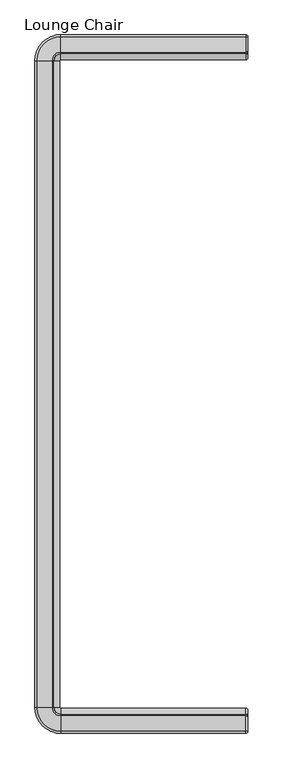
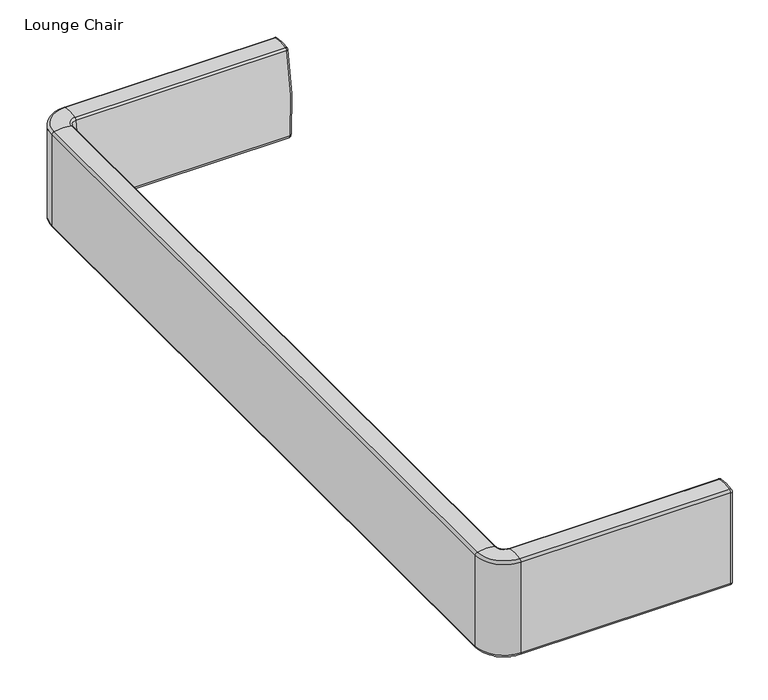
"""IFC4 building model written with IfcOpenShell, lengths in millimetres: furniture geometry, Lounge Chair."""

import ifcopenshell
import ifcopenshell.guid

model = None  # the IFC model being written
_history = None  # IfcOwnerHistory: only IFC2X3 demands one
_inside = {}  # id of a spatial element -> (the spatial element, [elements in it])
_under = {}  # id of a project, library or spatial element -> (it, [spatial elements below it])
_declared = {}  # id of a project -> (the project, [libraries it declares])
_typed = {}  # id of a type object -> (the type object, [elements of that type])
_made_of = {}  # id of a material, layer set ... -> (it, [elements and type objects made of it])


def new_model(schema):
    """Start an empty IFC model of exactly this schema.

    Asked for "IFC4X3", IfcOpenShell would pick the latest addendum, in which some entities
    have other attributes; the version numbers below select the first issue.
    IFC2X3 requires an IfcOwnerHistory on every rooted entity: one is made here for all.
    """
    global model, _history
    if schema == "IFC4X3":
        model = ifcopenshell.file(schema_version=(4, 3, 0, 0))
    else:
        model = ifcopenshell.file(schema=schema)
    _inside.clear()
    _under.clear()
    _declared.clear()
    _typed.clear()
    _made_of.clear()
    _history = None
    if model.schema == "IFC2X3":
        org = make("IfcOrganization", Name="unknown")
        user = make(
            "IfcPersonAndOrganization",
            ThePerson=make("IfcPerson", FamilyName="unknown"),
            TheOrganization=org,
        )
        app = make(
            "IfcApplication",
            ApplicationDeveloper=org,
            Version="unknown",
            ApplicationFullName="unknown",
            ApplicationIdentifier="unknown",
        )
        _history = make(
            "IfcOwnerHistory",
            OwningUser=user,
            OwningApplication=app,
            ChangeAction="ADDED",
            CreationDate=0,
        )
    return model


def make(cls, **values):
    """One entity of the class cls with the attributes given. An attribute that is None is left unset."""
    return model.create_entity(
        cls, **{name: value for name, value in values.items() if value is not None}
    )


def rooted(cls, **values):
    """An entity with a GlobalId (a new one), such as an element, a storey or a relation."""
    return make(cls, GlobalId=ifcopenshell.guid.new(), OwnerHistory=_history, **values)


def si_unit(unit_type, name, prefix=None):
    """IfcSIUnit, for example si_unit("LENGTHUNIT", "METRE", prefix="MILLI")."""
    return make("IfcSIUnit", UnitType=unit_type, Prefix=prefix, Name=name)


def assignment(units):
    """IfcUnitAssignment: the units of a project."""
    return None if units is None else make("IfcUnitAssignment", Units=units)


def point(xyz):
    """IfcCartesianPoint."""
    return None if xyz is None else make("IfcCartesianPoint", Coordinates=xyz)


def direction(xyz):
    """IfcDirection."""
    return None if xyz is None else make("IfcDirection", DirectionRatios=xyz)


def frame(location, z_axis=None, x_axis=None):
    """IfcAxis2Placement3D, a coordinate frame: its origin and axes. An axis left out is left unset."""
    return make(
        "IfcAxis2Placement3D",
        Location=point(location),
        Axis=direction(z_axis),
        RefDirection=direction(x_axis),
    )


def origin():
    """The frame at (0, 0, 0) with its axes left unset."""
    return frame((0.0, 0.0, 0.0))


def place(relative_to, where):
    """IfcLocalPlacement: puts the frame where relative to a parent placement (None: the world)."""
    return make(
        "IfcLocalPlacement", PlacementRelTo=relative_to, RelativePlacement=where
    )


def context(
    kind, dimensions, precision=None, world=None, true_north=None, identifier=None
):
    """IfcGeometricRepresentationContext, for example the 3D "Model" context."""
    return make(
        "IfcGeometricRepresentationContext",
        ContextIdentifier=identifier,
        ContextType=kind,
        CoordinateSpaceDimension=dimensions,
        Precision=precision,
        WorldCoordinateSystem=world,
        TrueNorth=true_north,
    )


def project(units=None, contexts=None):
    """IfcProject with its units and contexts."""
    return rooted(
        "IfcProject",
        Name="project",
        RepresentationContexts=contexts,
        UnitsInContext=assignment(units),
    )


def spatial(cls, under=None, at=None, **own):
    """A site, building, storey or space (cls), placed at a placement, below another one or the project."""
    s = rooted(cls, ObjectPlacement=at, **own)
    if under is not None:
        _under.setdefault(under.id(), (under, []))[1].append(s)
    return s


def polyline(points):
    """IfcPolyline through the points."""
    return make("IfcPolyline", Points=[point(p) for p in points])


def circle_curve(where, radius):
    """IfcCircle in the frame where."""
    return make("IfcCircle", Position=where, Radius=radius)


def ellipse_curve(where, semi_axis1, semi_axis2):
    """IfcEllipse in the frame where."""
    return make(
        "IfcEllipse", Position=where, SemiAxis1=semi_axis1, SemiAxis2=semi_axis2
    )


def trimmed(basis, trim1, trim2, sense, master):
    """IfcTrimmedCurve: the piece of a basis curve between two trims."""
    return make(
        "IfcTrimmedCurve",
        BasisCurve=basis,
        Trim1=trim1,
        Trim2=trim2,
        SenseAgreement=sense,
        MasterRepresentation=master,
    )


def shape(context_of_items, identifier, shape_type, items):
    """IfcShapeRepresentation: the items that make up one representation, for example the "Body"."""
    return make(
        "IfcShapeRepresentation",
        ContextOfItems=context_of_items,
        RepresentationIdentifier=identifier,
        RepresentationType=shape_type,
        Items=items,
    )


def source(mapping_origin, context_of_items, identifier, shape_type, items):
    """IfcRepresentationMap: a shape defined once, which mapped items show again and again."""
    return make(
        "IfcRepresentationMap",
        MappingOrigin=mapping_origin,
        MappedRepresentation=shape(context_of_items, identifier, shape_type, items),
    )


def transform(
    local_origin,
    x_axis=None,
    y_axis=None,
    z_axis=None,
    scale=None,
    scale2=None,
    scale3=None,
    uniform=True,
):
    """IfcCartesianTransformationOperator3D, or its non-uniform kind. x_axis, y_axis, z_axis: its Axis1, 2, 3."""
    if uniform:
        return make(
            "IfcCartesianTransformationOperator3D",
            Axis1=direction(x_axis),
            Axis2=direction(y_axis),
            LocalOrigin=point(local_origin),
            Scale=scale,
            Axis3=direction(z_axis),
        )
    return make(
        "IfcCartesianTransformationOperator3DnonUniform",
        Axis1=direction(x_axis),
        Axis2=direction(y_axis),
        LocalOrigin=point(local_origin),
        Scale=scale,
        Axis3=direction(z_axis),
        Scale2=scale2,
        Scale3=scale3,
    )


def mapped(mapping_source, mapping_target):
    """IfcMappedItem: shows the shape of a source again, moved by a transform."""
    return make(
        "IfcMappedItem", MappingSource=mapping_source, MappingTarget=mapping_target
    )


def made_of(thing, what):
    """Note that an element or type object is made of a material, layer set ...; save() writes the relation."""
    if what is not None:
        _made_of.setdefault(what.id(), (what, []))[1].append(thing)
    return thing


def element(
    cls,
    number,
    at=None,
    inside=None,
    cuts=None,
    type_object=None,
    material=None,
    context=None,
    identifier="Body",
    shape_type=None,
    held_by="IfcProductDefinitionShape",
    body=None,
    shapes=None,
    **own,
):
    """One element of the class cls, such as IfcWall. Its Tag is "e" and its number.

    at: its placement. inside: the storey or other place that contains it. cuts: it is an
    opening in that element (IfcRelVoidsElement). A single representation is given by context,
    identifier, shape_type and body (its items); several are given by shapes. held_by: the class
    of the entity that holds the representations. save() writes the other relations.
    """
    e = rooted(cls, Tag="e%d" % number, ObjectPlacement=at, **own)
    if body is not None:
        shapes = [shape(context, identifier, shape_type, body)]
    if shapes is not None:
        e.Representation = make(held_by, Representations=shapes)
    if inside is not None:
        _inside.setdefault(inside.id(), (inside, []))[1].append(e)
    if cuts is not None:
        rooted(
            "IfcRelVoidsElement", RelatingBuildingElement=cuts, RelatedOpeningElement=e
        )
    if type_object is not None:
        _typed.setdefault(type_object.id(), (type_object, []))[1].append(e)
    return made_of(e, material)


def aggregate(whole, parts):
    """IfcRelAggregates: a whole, such as a stair, and the parts it consists of."""
    return rooted("IfcRelAggregates", RelatingObject=whole, RelatedObjects=parts)


def save(model, path):
    """Write the relations noted so far, then the file.

    IfcRelAggregates (storeys below a building ...), IfcRelContainedInSpatialStructure (elements
    in a storey), IfcRelDefinesByType, IfcRelAssociatesMaterial and IfcRelDeclares: one each for
    every whole, place, type object, material and project.
    """
    for whole, parts in _under.values():
        aggregate(whole, parts)
    for where, things in _inside.values():
        rooted(
            "IfcRelContainedInSpatialStructure",
            RelatedElements=things,
            RelatingStructure=where,
        )
    for kind, things in _typed.values():
        rooted("IfcRelDefinesByType", RelatedObjects=things, RelatingType=kind)
    for what, things in _made_of.values():
        rooted("IfcRelAssociatesMaterial", RelatedObjects=things, RelatingMaterial=what)
    for by, libraries in _declared.values():
        rooted("IfcRelDeclares", RelatingContext=by, RelatedDefinitions=libraries)
    model.write(path)


def plane_surface(at):
    """IfcPlane: the flat surface through the origin of the frame at, square to its z axis."""
    return make("IfcPlane", Position=at)


def cylinder_surface(at, radius):
    """IfcCylindricalSurface: all points at the distance radius from the z axis of the frame at."""
    return make("IfcCylindricalSurface", Position=at, Radius=radius)


def revolved_surface(curve, axis_point, axis_direction):
    """IfcSurfaceOfRevolution: the curve turned about the line through axis_point along axis_direction."""
    return make(
        "IfcSurfaceOfRevolution",
        SweptCurve=make("IfcArbitraryOpenProfileDef", ProfileType="CURVE", Curve=curve),
        AxisPosition=make("IfcAxis1Placement", Location=point(axis_point), Axis=direction(axis_direction)),
    )


def advanced_brep(points, edges, surfaces, faces):
    """IfcAdvancedBrep: a solid bounded by faces that lie on surfaces and meet in shared edges.

    An edge is (start, end): straight between two places in points (the first is 0);
    or (start, end, curve); or (start, end, curve, False) where it runs against its curve.
    A face is (place in surfaces, loops), or (place, loops, False) where it looks against
    its surface's normal. A loop lists edges by number (the first is 1), with a minus sign
    where the edge is run from its end to its start. The first loop is the outer one.
    """
    corners = [point(p) for p in points]
    vertices = [make("IfcVertexPoint", VertexGeometry=c) for c in corners]
    made = []
    for start, end, *more in edges:
        made.append(
            make(
                "IfcEdgeCurve",
                EdgeStart=vertices[start],
                EdgeEnd=vertices[end],
                EdgeGeometry=more[0] if more else make("IfcPolyline", Points=[corners[start], corners[end]]),
                SameSense=more[1] if len(more) > 1 else True,
            )
        )
    hull = []
    for where, loops, *sense in faces:
        bounds = []
        for j, loop in enumerate(loops):
            ring = [make("IfcOrientedEdge", EdgeElement=made[abs(k) - 1], Orientation=k > 0) for k in loop]
            bounds.append(
                make(
                    "IfcFaceOuterBound" if j == 0 else "IfcFaceBound",
                    Bound=make("IfcEdgeLoop", EdgeList=ring),
                    Orientation=True,
                )
            )
        hull.append(make("IfcAdvancedFace", Bounds=bounds, FaceSurface=surfaces[where], SameSense=sense[0] if sense else True))
    return make("IfcAdvancedBrep", Outer=make("IfcClosedShell", CfsFaces=hull))


def lounge_chair_6d21cbb2(model_context):
    return source(origin(), model_context, "Body", "AdvancedBrep", [
        advanced_brep(
        [(382.9050121, -1114.5232118, 679.4101744), (382.9050121, -1115.5445841, 678.1647491), (382.9050121, -1115.5445841, 406.9326341), (382.9050121, -1113.4735492, 405.9471174), (382.9050121, -1079.435139, 420.1629446), (382.9050121, -1055.0515474, 429.151888), (382.9050121, -1051.0062039, 435.9247564), (382.9050121, -1067.0973097, 678.4771601), (382.9050121, -1068.0842542, 679.4255901), (376.5550121, -1115.7663503, 685.6373011), (376.5550121, -1121.8945841, 678.1647491), (376.5550121, -1121.8945841, 406.9326341), (376.5550121, -1109.4683748, 401.019534), (376.5550121, -1078.7459989, 413.8504501), (376.5550121, -1051.4784521, 423.9025557), (376.5550121, -1044.6903074, 435.2675266), (376.5550121, -1060.9235834, 679.9629608), (376.5550121, -1066.8452503, 685.6535408), (376.5550121, 1060.9235834, 679.9629608), (-219.0746083, 1060.9235834, 679.9629608), (-219.0746083, 1044.6903074, 435.2675266), (376.5550121, 1044.6903074, 435.2675266), (376.5550121, 1051.4784521, 423.9025557), (-219.0746083, 1051.4784521, 423.9025557), (-219.0746083, 1078.7459989, 413.8504501), (376.5550121, 1078.7459989, 413.8504501), (376.5550121, 1121.8945841, 406.9326341), (-219.0746083, 1121.8945841, 406.9326341), (-219.0746083, 1121.8945841, 678.1647491), (376.5550121, 1121.8945841, 678.1647491), (-240.6536319, 1039.3445599, 679.9629608), (-224.4203559, 1039.3445599, 435.2675266), (-231.2085006, 1039.3445599, 423.9025557), (-258.4760474, 1039.3445599, 413.8504501), (-301.6246325, 1039.3445599, 406.9326341), (-301.6246325, 1039.3445599, 678.1647491), (-240.6536319, -1039.3445599, 679.9629608), (-224.4203559, -1039.3445599, 435.2675266), (-231.2085006, -1039.3445599, 423.9025557), (-258.4760474, -1039.3445599, 413.8504501), (-301.6246325, -1039.3445599, 406.9326341), (-301.6246325, -1039.3445599, 678.1647491), (-219.0746083, -1060.9235834, 679.9629608), (-219.0746083, -1044.6903074, 435.2675266), (-219.0746083, -1051.4784521, 423.9025557), (-219.0746083, -1078.7459989, 413.8504501), (-219.0746083, -1121.8945841, 406.9326341), (-219.0746083, -1121.8945841, 678.1647491), (-219.0746083, 1109.4683748, 401.019534), (376.5550121, 1109.4683748, 401.019534), (-289.1984232, 1039.3445599, 401.019534), (-289.1984232, -1039.3445599, 401.019534), (-219.0746083, -1109.4683748, 401.019534), (-219.0746083, 1115.7663503, 685.6373011), (376.5550121, 1115.7663503, 685.6373011), (-219.0746083, 1066.8452503, 685.6535408), (376.5550121, 1066.8452503, 685.6535408), (-295.4963987, 1039.3445599, 685.6373011), (-246.5752987, 1039.3445599, 685.6535408), (-295.4963987, -1039.3445599, 685.6373011), (-246.5752987, -1039.3445599, 685.6535408), (-219.0746083, -1115.7663503, 685.6373011), (-219.0746083, -1066.8452503, 685.6535408), (382.9050121, 1068.0842542, 679.4255901), (382.9050121, 1067.0973097, 678.4771601), (382.9050121, 1051.0062039, 435.9247564), (382.9050121, 1055.0515474, 429.151888), (382.9050121, 1079.435139, 420.1629446), (382.9050121, 1113.4735492, 405.9471174), (382.9050121, 1115.5445841, 406.9326341), (382.9050121, 1115.5445841, 678.1647491), (382.9050121, 1114.5232118, 679.4101744)],
        [
            (0, 1, circle_curve(frame((382.9050121, -1114.2745841, 678.1647491), z_axis=(1.0, 0.0, 0.0), x_axis=(0.0, -0.19576984179669715, 0.9806498707708557)), 1.27)),
            (1, 2),
            (2, 3, circle_curve(frame((382.9050121, -1114.2745841, 406.9326341), z_axis=(1.0, 0.0, 0.0), x_axis=(0.0, -1.0, 0.0)), 1.27)),
            (3, 4, circle_curve(frame((382.9050121, -1072.3612575, 355.3664873), z_axis=(-1.0, 0.0, 0.0), x_axis=(0.0, -0.6307361277008335, 0.7759973822204285)), 65.1814443)),
            (4, 5, circle_curve(frame((382.9050121, -1085.2617591, 473.5345393), z_axis=(1.0, 0.0, 0.0), x_axis=(0.0, 0.10852600235373884, -0.9940936106892129)), 53.6887011)),
            (5, 6, circle_curve(frame((382.9050121, -1060.3214873, 436.8941013), z_axis=(1.0, 0.0, 0.0), x_axis=(0.0, 0.5626921702505863, -0.82666651168333)), 9.3655824)),
            (6, 7, circle_curve(frame((382.9050121, -1765.8518023, 510.3113207), z_axis=(1.0, 0.0, 0.0), x_axis=(0.0, 0.994629374658128, -0.10350075877587275)), 718.7054964)),
            (7, 8, circle_curve(frame((382.9050121, -1068.332055, 678.18), z_axis=(1.0, 0.0, 0.0), x_axis=(0.0, 0.9722403629031896, 0.23398435148931254)), 1.27)),
            (8, 0, circle_curve(frame((382.9050121, -1091.265056, 562.9054704), z_axis=(1.0, 0.0, 0.0), x_axis=(0.0, 0.1951187333087927, 0.9807796286179542)), 118.8035684)),
            (0, 9, circle_curve(frame((376.5550121, -1114.5232118, 679.4101744), z_axis=(0.0, -0.9806498707708557, -0.19576984179669712), x_axis=(0.0, 0.19576984179669712, -0.9806498707708557)), 6.35)),
            (9, 10, circle_curve(frame((376.5550121, -1114.2745841, 678.1647491), z_axis=(1.0, 0.0, 0.0), x_axis=(0.0, -0.19576984179669715, 0.9806498707708557)), 7.62)),
            (10, 1, circle_curve(frame((376.5550121, -1115.5445841, 678.1647491), z_axis=(0.0, 0.0, 1.0), x_axis=(0.0, 1.0, 0.0)), 6.35)),
            (10, 11),
            (11, 2, circle_curve(frame((376.5550121, -1115.5445841, 406.9326341), z_axis=(0.0, 0.0, 1.0), x_axis=(0.0, 1.0, 0.0)), 6.35)),
            (11, 12, circle_curve(frame((376.5550121, -1114.2745841, 406.9326341), z_axis=(1.0, 0.0, 0.0), x_axis=(0.0, -1.0, 0.0)), 7.62)),
            (12, 3, circle_curve(frame((376.5550121, -1113.4735492, 405.9471174), z_axis=(0.0, -0.7759973822204425, -0.6307361277008164), x_axis=(0.0, -0.6307361277008164, 0.7759973822204425)), 6.35)),
            (12, 13, circle_curve(frame((376.5550121, -1072.3612575, 355.3664873), z_axis=(-1.0, 0.0, 0.0), x_axis=(0.0, -0.6307361277008335, 0.7759973822204285)), 58.8314443)),
            (13, 4, circle_curve(frame((376.5550121, -1079.435139, 420.1629446), z_axis=(0.0, -0.9940936106892133, -0.10852600235373538), x_axis=(0.0, -0.10852600235373538, 0.9940936106892133)), 6.35)),
            (13, 14, circle_curve(frame((376.5550121, -1085.2617591, 473.5345393), z_axis=(1.0, 0.0, 0.0), x_axis=(0.0, 0.10852600235373884, -0.9940936106892129)), 60.0387011)),
            (14, 5, circle_curve(frame((376.5550121, -1055.0515474, 429.151888), z_axis=(0.0, -0.8266665116833319, -0.5626921702505835), x_axis=(0.0, -0.5626921702505835, 0.8266665116833319)), 6.35)),
            (14, 15, circle_curve(frame((376.5550121, -1060.3214873, 436.8941013), z_axis=(1.0, 0.0, 0.0), x_axis=(0.0, 0.5626921702505863, -0.82666651168333)), 15.7155824)),
            (15, 6, circle_curve(frame((376.5550121, -1051.0062039, 435.9247564), z_axis=(0.0, -0.10350075877586107, -0.9946293746581292), x_axis=(0.0, -0.9946293746581292, 0.10350075877586107)), 6.35)),
            (15, 16, circle_curve(frame((376.5550121, -1765.8518023, 510.3113207), z_axis=(1.0, 0.0, 0.0), x_axis=(0.0, 0.994629374658128, -0.10350075877587275)), 725.0554964)),
            (16, 7, circle_curve(frame((376.5550121, -1067.0973097, 678.4771601), z_axis=(0.0, 0.23398435148929136, -0.9722403629031947), x_axis=(0.0, -0.9722403629031947, -0.23398435148929136)), 6.35)),
            (16, 17, circle_curve(frame((376.5550121, -1068.332055, 678.18), z_axis=(1.0, 0.0, 0.0), x_axis=(0.0, 0.9722403629031896, 0.23398435148931254)), 7.62)),
            (17, 8, circle_curve(frame((376.5550121, -1068.0842542, 679.4255901), z_axis=(0.0, 0.9807796286179522, -0.19511873330880303), x_axis=(0.0, -0.19511873330880303, -0.9807796286179522)), 6.35)),
            (17, 9, circle_curve(frame((376.5550121, -1091.265056, 562.9054704), z_axis=(1.0, 0.0, 0.0), x_axis=(0.0, 0.1951187333087927, 0.9807796286179542)), 125.1535684)),
            (18, 19),
            (19, 20, circle_curve(frame((-219.0746083, 1765.8518023, 510.3113207), z_axis=(1.0, 0.0, 0.0), x_axis=(0.0, -1.0, 0.0)), 725.0554964)),
            (20, 21),
            (21, 18, circle_curve(frame((376.5550121, 1765.8518023, 510.3113207), z_axis=(-1.0, 0.0, 0.0), x_axis=(0.0, -1.0, 0.0)), 725.0554964)),
            (22, 23),
            (23, 24, circle_curve(frame((-219.0746083, 1085.2617591, 473.5345393), z_axis=(1.0, 0.0, 0.0), x_axis=(0.0, -1.0, 0.0)), 60.0387011)),
            (24, 25),
            (25, 22, circle_curve(frame((376.5550121, 1085.2617591, 473.5345393), z_axis=(-1.0, 0.0, 0.0), x_axis=(0.0, -1.0, 0.0)), 60.0387011)),
            (26, 27),
            (27, 28),
            (28, 29),
            (29, 26),
            (19, 30, circle_curve(frame((-219.0746083, 1039.3445599, 679.9629608), z_axis=(0.0, 0.0, 1.0), x_axis=(0.0, 1.0, 0.0)), 21.5790236)),
            (30, 31, circle_curve(frame((-945.5818508, 1039.3445599, 510.3113207), z_axis=(0.0, 1.0, 0.0), x_axis=(1.0, 0.0, 0.0)), 725.0554964)),
            (31, 20, circle_curve(frame((-219.0746083, 1039.3445599, 435.2675266), z_axis=(0.0, 0.0, -1.0), x_axis=(0.0, 1.0, 0.0)), 5.3457475)),
            (23, 32, circle_curve(frame((-219.0746083, 1039.3445599, 423.9025557), z_axis=(0.0, 0.0, 1.0), x_axis=(0.0, 1.0, 0.0)), 12.1338922)),
            (32, 33, circle_curve(frame((-264.9918076, 1039.3445599, 473.5345393), z_axis=(0.0, 1.0, 0.0), x_axis=(1.0, 0.0, 0.0)), 60.0387011)),
            (33, 24, circle_curve(frame((-219.0746083, 1039.3445599, 413.8504501), z_axis=(0.0, 0.0, -1.0), x_axis=(0.0, 1.0, 0.0)), 39.401439)),
            (27, 34, circle_curve(frame((-219.0746083, 1039.3445599, 406.9326341), z_axis=(0.0, 0.0, 1.0), x_axis=(0.0, 1.0, 0.0)), 82.5500242)),
            (34, 35),
            (35, 28, circle_curve(frame((-219.0746083, 1039.3445599, 678.1647491), z_axis=(0.0, 0.0, -1.0), x_axis=(0.0, 1.0, 0.0)), 82.5500242)),
            (30, 36),
            (36, 37, circle_curve(frame((-945.5818508, -1039.3445599, 510.3113207), z_axis=(0.0, 1.0, 0.0), x_axis=(1.0, 0.0, 0.0)), 725.0554964)),
            (37, 31),
            (32, 38),
            (38, 39, circle_curve(frame((-264.9918076, -1039.3445599, 473.5345393), z_axis=(0.0, 1.0, 0.0), x_axis=(1.0, 0.0, 0.0)), 60.0387011)),
            (39, 33),
            (34, 40),
            (40, 41),
            (41, 35),
            (36, 42, circle_curve(frame((-219.0746083, -1039.3445599, 679.9629608), z_axis=(0.0, 0.0, 1.0), x_axis=(-1.0, 0.0, 0.0)), 21.5790236)),
            (42, 43, circle_curve(frame((-219.0746083, -1765.8518023, 510.3113207), z_axis=(-1.0, 0.0, 0.0), x_axis=(0.0, 1.0, 0.0)), 725.0554964)),
            (43, 37, circle_curve(frame((-219.0746083, -1039.3445599, 435.2675266), z_axis=(0.0, 0.0, -1.0), x_axis=(-1.0, 0.0, 0.0)), 5.3457475)),
            (38, 44, circle_curve(frame((-219.0746083, -1039.3445599, 423.9025557), z_axis=(0.0, 0.0, 1.0), x_axis=(-1.0, 0.0, 0.0)), 12.1338922)),
            (44, 45, circle_curve(frame((-219.0746083, -1085.2617591, 473.5345393), z_axis=(-1.0, 0.0, 0.0), x_axis=(0.0, 1.0, 0.0)), 60.0387011)),
            (45, 39, circle_curve(frame((-219.0746083, -1039.3445599, 413.8504501), z_axis=(0.0, 0.0, -1.0), x_axis=(-1.0, 0.0, 0.0)), 39.401439)),
            (40, 46, circle_curve(frame((-219.0746083, -1039.3445599, 406.9326341), z_axis=(0.0, 0.0, 1.0), x_axis=(-1.0, 0.0, 0.0)), 82.5500242)),
            (46, 47),
            (47, 41, circle_curve(frame((-219.0746083, -1039.3445599, 678.1647491), z_axis=(0.0, 0.0, -1.0), x_axis=(-1.0, 0.0, 0.0)), 82.5500242)),
            (42, 16),
            (15, 43),
            (44, 14),
            (13, 45),
            (46, 11),
            (10, 47),
            (20, 23, circle_curve(frame((-219.0746083, 1060.3214873, 436.8941013), z_axis=(1.0, 0.0, 0.0), x_axis=(0.0, -1.0, 0.0)), 15.7155824)),
            (22, 21, circle_curve(frame((376.5550121, 1060.3214873, 436.8941013), z_axis=(-1.0, 0.0, 0.0), x_axis=(0.0, -1.0, 0.0)), 15.7155824)),
            (31, 32, circle_curve(frame((-240.0515357, 1039.3445599, 436.8941013), z_axis=(0.0, 1.0, 0.0), x_axis=(1.0, 0.0, 0.0)), 15.7155824)),
            (37, 38, circle_curve(frame((-240.0515357, -1039.3445599, 436.8941013), z_axis=(0.0, 1.0, 0.0), x_axis=(1.0, 0.0, 0.0)), 15.7155824)),
            (43, 44, circle_curve(frame((-219.0746083, -1060.3214873, 436.8941013), z_axis=(-1.0, 0.0, 0.0), x_axis=(0.0, 1.0, 0.0)), 15.7155824)),
            (24, 48, circle_curve(frame((-219.0746083, 1072.3612575, 355.3664873), z_axis=(-1.0, 0.0, 0.0), x_axis=(0.0, -1.0, 0.0)), 58.8314443)),
            (48, 49),
            (49, 25, circle_curve(frame((376.5550121, 1072.3612575, 355.3664873), z_axis=(1.0, 0.0, 0.0), x_axis=(0.0, -1.0, 0.0)), 58.8314443)),
            (33, 50, circle_curve(frame((-252.0913059, 1039.3445599, 355.3664873), z_axis=(0.0, -1.0, 0.0), x_axis=(1.0, 0.0, 0.0)), 58.8314443)),
            (50, 48, circle_curve(frame((-219.0746083, 1039.3445599, 401.019534), z_axis=(0.0, 0.0, -1.0), x_axis=(0.0, 1.0, 0.0)), 70.1238149)),
            (39, 51, circle_curve(frame((-252.0913059, -1039.3445599, 355.3664873), z_axis=(0.0, -1.0, 0.0), x_axis=(1.0, 0.0, 0.0)), 58.8314443)),
            (51, 50),
            (45, 52, circle_curve(frame((-219.0746083, -1072.3612575, 355.3664873), z_axis=(1.0, 0.0, 0.0), x_axis=(0.0, 1.0, 0.0)), 58.8314443)),
            (52, 51, circle_curve(frame((-219.0746083, -1039.3445599, 401.019534), z_axis=(0.0, 0.0, -1.0), x_axis=(-1.0, 0.0, 0.0)), 70.1238149)),
            (12, 52),
            (26, 49, circle_curve(frame((376.5550121, 1114.2745841, 406.9326341), z_axis=(-1.0, 0.0, 0.0), x_axis=(0.0, -1.0, 0.0)), 7.62)),
            (48, 27, circle_curve(frame((-219.0746083, 1114.2745841, 406.9326341), z_axis=(1.0, 0.0, 0.0), x_axis=(0.0, -1.0, 0.0)), 7.62)),
            (50, 34, circle_curve(frame((-294.0046325, 1039.3445599, 406.9326341), z_axis=(0.0, 1.0, 0.0), x_axis=(1.0, 0.0, 0.0)), 7.62)),
            (51, 40, circle_curve(frame((-294.0046325, -1039.3445599, 406.9326341), z_axis=(0.0, 1.0, 0.0), x_axis=(1.0, 0.0, 0.0)), 7.62)),
            (52, 46, circle_curve(frame((-219.0746083, -1114.2745841, 406.9326341), z_axis=(-1.0, 0.0, 0.0), x_axis=(0.0, 1.0, 0.0)), 7.62)),
            (28, 53, circle_curve(frame((-219.0746083, 1114.2745841, 678.1647491), z_axis=(1.0, 0.0, 0.0), x_axis=(0.0, -1.0, 0.0)), 7.62)),
            (53, 54),
            (54, 29, circle_curve(frame((376.5550121, 1114.2745841, 678.1647491), z_axis=(-1.0, 0.0, 0.0), x_axis=(0.0, -1.0, 0.0)), 7.62)),
            (53, 55, circle_curve(frame((-219.0746083, 1091.265056, 562.9054704), z_axis=(1.0, 0.0, 0.0), x_axis=(0.0, -1.0, 0.0)), 125.1535684)),
            (55, 56),
            (56, 54, circle_curve(frame((376.5550121, 1091.265056, 562.9054704), z_axis=(-1.0, 0.0, 0.0), x_axis=(0.0, -1.0, 0.0)), 125.1535684)),
            (18, 56, circle_curve(frame((376.5550121, 1068.332055, 678.18), z_axis=(-1.0, 0.0, 0.0), x_axis=(0.0, -1.0, 0.0)), 7.62)),
            (55, 19, circle_curve(frame((-219.0746083, 1068.332055, 678.18), z_axis=(1.0, 0.0, 0.0), x_axis=(0.0, -1.0, 0.0)), 7.62)),
            (35, 57, circle_curve(frame((-294.0046325, 1039.3445599, 678.1647491), z_axis=(0.0, 1.0, 0.0), x_axis=(1.0, 0.0, 0.0)), 7.62)),
            (57, 53, circle_curve(frame((-219.0746083, 1039.3445599, 685.6373011), z_axis=(0.0, 0.0, -1.0), x_axis=(0.0, 1.0, 0.0)), 76.4217904)),
            (57, 58, circle_curve(frame((-270.9951044, 1039.3445599, 562.9054704), z_axis=(0.0, 1.0, 0.0), x_axis=(1.0, 0.0, 0.0)), 125.1535684)),
            (58, 55, circle_curve(frame((-219.0746083, 1039.3445599, 685.6535408), z_axis=(0.0, 0.0, -1.0), x_axis=(0.0, 1.0, 0.0)), 27.5006904)),
            (58, 30, circle_curve(frame((-248.0621034, 1039.3445599, 678.18), z_axis=(0.0, 1.0, 0.0), x_axis=(1.0, 0.0, 0.0)), 7.62)),
            (41, 59, circle_curve(frame((-294.0046325, -1039.3445599, 678.1647491), z_axis=(0.0, 1.0, 0.0), x_axis=(1.0, 0.0, 0.0)), 7.62)),
            (59, 57),
            (59, 60, circle_curve(frame((-270.9951044, -1039.3445599, 562.9054704), z_axis=(0.0, 1.0, 0.0), x_axis=(1.0, 0.0, 0.0)), 125.1535684)),
            (60, 58),
            (60, 36, circle_curve(frame((-248.0621034, -1039.3445599, 678.18), z_axis=(0.0, 1.0, 0.0), x_axis=(1.0, 0.0, 0.0)), 7.62)),
            (47, 61, circle_curve(frame((-219.0746083, -1114.2745841, 678.1647491), z_axis=(-1.0, 0.0, 0.0), x_axis=(0.0, 1.0, 0.0)), 7.62)),
            (61, 59, circle_curve(frame((-219.0746083, -1039.3445599, 685.6373011), z_axis=(0.0, 0.0, -1.0), x_axis=(-1.0, 0.0, 0.0)), 76.4217904)),
            (61, 62, circle_curve(frame((-219.0746083, -1091.265056, 562.9054704), z_axis=(-1.0, 0.0, 0.0), x_axis=(0.0, 1.0, 0.0)), 125.1535684)),
            (62, 60, circle_curve(frame((-219.0746083, -1039.3445599, 685.6535408), z_axis=(0.0, 0.0, -1.0), x_axis=(-1.0, 0.0, 0.0)), 27.5006904)),
            (62, 42, circle_curve(frame((-219.0746083, -1068.332055, 678.18), z_axis=(-1.0, 0.0, 0.0), x_axis=(0.0, 1.0, 0.0)), 7.62)),
            (9, 61),
            (17, 62),
            (63, 56, circle_curve(frame((376.5550121, 1068.0842542, 679.4255901), z_axis=(0.0, -0.980779628617956, -0.19511873330878385), x_axis=(0.0, 0.19511873330878385, -0.980779628617956)), 6.35)),
            (18, 64, circle_curve(frame((376.5550121, 1067.0973097, 678.4771601), z_axis=(0.0, 0.23398435148931454, 0.9722403629031892), x_axis=(0.0, 0.9722403629031892, -0.23398435148931454)), 6.35)),
            (64, 63, circle_curve(frame((382.9050121, 1068.332055, 678.18), z_axis=(-1.0, 0.0, 0.0), x_axis=(0.0, -0.19511873330878338, 0.9807796286179561)), 1.27)),
            (21, 65, circle_curve(frame((376.5550121, 1051.0062039, 435.9247564), z_axis=(0.0, -0.10350075877586587, 0.9946293746581285), x_axis=(0.0, 0.9946293746581285, 0.10350075877586587)), 6.35)),
            (65, 64, circle_curve(frame((382.9050121, 1765.8518023, 510.3113207), z_axis=(-1.0, 0.0, 0.0), x_axis=(0.0, -0.9722403629031947, 0.23398435148929123)), 718.7054964)),
            (22, 66, circle_curve(frame((376.5550121, 1055.0515474, 429.151888), z_axis=(0.0, -0.826666511683325, 0.5626921702505937), x_axis=(0.0, 0.5626921702505937, 0.826666511683325)), 6.35)),
            (66, 65, circle_curve(frame((382.9050121, 1060.3214873, 436.8941013), z_axis=(-1.0, 0.0, 0.0), x_axis=(0.0, -0.9946293746581639, -0.10350075877552664)), 9.3655824)),
            (25, 67, circle_curve(frame((376.5550121, 1079.435139, 420.1629446), z_axis=(0.0, -0.9940936106892126, 0.10852600235373983), x_axis=(0.0, 0.10852600235373983, 0.9940936106892126)), 6.35)),
            (67, 66, circle_curve(frame((382.9050121, 1085.2617591, 473.5345393), z_axis=(-1.0, 0.0, 0.0), x_axis=(0.0, -0.5626921702505868, -0.8266665116833296)), 53.6887011)),
            (49, 68, circle_curve(frame((376.5550121, 1113.4735492, 405.9471174), z_axis=(0.0, -0.7759973822204285, 0.6307361277008335), x_axis=(0.0, 0.6307361277008335, 0.7759973822204285)), 6.35)),
            (68, 67, circle_curve(frame((382.9050121, 1072.3612575, 355.3664873), z_axis=(1.0, 0.0, 0.0), x_axis=(0.0, 0.10852600235373923, 0.9940936106892128)), 65.1814443)),
            (26, 69, circle_curve(frame((376.5550121, 1115.5445841, 406.9326341), z_axis=(0.0, 0.0, -0.9999999999999999), x_axis=(0.0, -0.9999999999999999, 0.0)), 6.35)),
            (69, 68, circle_curve(frame((382.9050121, 1114.2745841, 406.9326341), z_axis=(-1.0, 0.0, 0.0), x_axis=(0.0, -0.6307361277008319, -0.7759973822204298)), 1.27)),
            (29, 70, circle_curve(frame((376.5550121, 1115.5445841, 678.1647491), z_axis=(0.0, 0.0, -1.0), x_axis=(0.0, -1.0, 0.0)), 6.35)),
            (70, 69),
            (54, 71, circle_curve(frame((376.5550121, 1114.5232118, 679.4101744), z_axis=(0.0, 0.9806498707708554, -0.19576984179669915), x_axis=(0.0, -0.19576984179669915, -0.9806498707708554)), 6.35)),
            (71, 70, circle_curve(frame((382.9050121, 1114.2745841, 678.1647491), z_axis=(-1.0, 0.0, 0.0), x_axis=(0.0, 1.0, 0.0)), 1.27)),
            (63, 71, circle_curve(frame((382.9050121, 1091.265056, 562.9054704), z_axis=(-1.0, 0.0, 0.0), x_axis=(0.0, 0.19576984179670068, 0.9806498707708551)), 118.8035684)),
        ],
        [
            plane_surface(frame((382.9050121, -1114.2745841, 408.2026341), z_axis=(1.0, 0.0, 0.0), x_axis=(0.0, -1.0, 0.0))),
            revolved_surface(trimmed(ellipse_curve(frame((376.5550121, -1114.5232118, 679.4101744), z_axis=(0.0, 0.9806498707708557, 0.19576984179669712), x_axis=(0.0, 0.19576984179669712, -0.9806498707708557)), 6.35, 6.35), [point((376.5550121, -1115.7663503, 685.6373011))], [point((382.9050121, -1114.5232118, 679.4101744))], True, "CARTESIAN"), (376.5550121, -1114.2745841, 678.1647491), (1.0, 0.0, 0.0)),
            cylinder_surface(frame((376.5550121, -1115.5445841, 678.1647491), z_axis=(0.0, 0.0, 1.0), x_axis=(0.0, 1.0, 0.0)), 6.35),
            revolved_surface(trimmed(ellipse_curve(frame((376.5550121, -1115.5445841, 406.9326341), z_axis=(0.0, 0.0, 1.0), x_axis=(0.0, 1.0, 0.0)), 6.35, 6.35), [point((376.5550121, -1121.8945841, 406.9326341))], [point((382.9050121, -1115.5445841, 406.9326341))], True, "CARTESIAN"), (376.5550121, -1114.2745841, 406.9326341), (1.0, 0.0, 0.0)),
            revolved_surface(trimmed(ellipse_curve(frame((376.5550121, -1113.4735492, 405.9471174), z_axis=(0.0, -0.7759973822204286, -0.6307361277008333), x_axis=(0.0, -0.6307361277008333, 0.7759973822204286)), 6.35, 6.35), [point((376.5550121, -1109.4683748, 401.019534))], [point((382.9050121, -1113.4735492, 405.9471174))], True, "CARTESIAN"), (376.5550121, -1072.3612575, 355.3664873), (-1.0, 0.0, 0.0)),
            revolved_surface(trimmed(ellipse_curve(frame((376.5550121, -1079.435139, 420.1629446), z_axis=(0.0, -0.9940936106892129, -0.10852600235373863), x_axis=(0.0, -0.10852600235373863, 0.9940936106892129)), 6.35, 6.35), [point((376.5550121, -1078.7459989, 413.8504501))], [point((382.9050121, -1079.435139, 420.1629446))], True, "CARTESIAN"), (376.5550121, -1085.2617591, 473.5345393), (1.0, 0.0, 0.0)),
            revolved_surface(trimmed(ellipse_curve(frame((376.5550121, -1055.0515474, 429.151888), z_axis=(0.0, -0.8266665116833302, -0.562692170250586), x_axis=(0.0, -0.562692170250586, 0.8266665116833302)), 6.35, 6.35), [point((376.5550121, -1051.4784521, 423.9025557))], [point((382.9050121, -1055.0515474, 429.151888))], True, "CARTESIAN"), (376.5550121, -1060.3214873, 436.8941013), (1.0, 0.0, 0.0)),
            revolved_surface(trimmed(ellipse_curve(frame((376.5550121, -1051.0062039, 435.9247564), z_axis=(0.0, -0.1035007587758729, -0.994629374658128), x_axis=(0.0, -0.994629374658128, 0.1035007587758729)), 6.35, 6.35), [point((376.5550121, -1044.6903074, 435.2675266))], [point((382.9050121, -1051.0062039, 435.9247564))], True, "CARTESIAN"), (376.5550121, -1765.8518023, 510.3113207), (1.0, 0.0, 0.0)),
            revolved_surface(trimmed(ellipse_curve(frame((376.5550121, -1067.0973097, 678.4771601), z_axis=(0.0, 0.23398435148931235, -0.9722403629031896), x_axis=(0.0, -0.9722403629031896, -0.23398435148931235)), 6.35, 6.35), [point((376.5550121, -1060.9235834, 679.9629608))], [point((382.9050121, -1067.0973097, 678.4771601))], True, "CARTESIAN"), (376.5550121, -1068.332055, 678.18), (1.0, 0.0, 0.0)),
            revolved_surface(trimmed(ellipse_curve(frame((376.5550121, -1068.0842542, 679.4255901), z_axis=(0.0, 0.9807796286179542, -0.1951187333087929), x_axis=(0.0, -0.1951187333087929, -0.9807796286179542)), 6.35, 6.35), [point((376.5550121, -1066.8452503, 685.6535408))], [point((382.9050121, -1068.0842542, 679.4255901))], True, "CARTESIAN"), (376.5550121, -1091.265056, 562.9054704), (1.0, 0.0, 0.0)),
            cylinder_surface(frame((376.5550121, 1765.8518023, 510.3113207), z_axis=(1.0, 0.0, 0.0), x_axis=(0.0, -1.0, 0.0)), 725.0554964),
            cylinder_surface(frame((376.5550121, 1085.2617591, 473.5345393), z_axis=(1.0, 0.0, 0.0), x_axis=(0.0, -1.0, 0.0)), 60.0387011),
            plane_surface(frame((376.5550121, 1121.8945841, 406.9326341), z_axis=(0.0, 1.0, 0.0), x_axis=(-1.0, 0.0, 0.0))),
            revolved_surface(trimmed(ellipse_curve(frame((-219.0746083, 1765.8518023, 510.3113207), z_axis=(1.0, 0.0, 0.0), x_axis=(0.0, -1.0, 0.0)), 725.0554964, 725.0554964), [point((-219.0746083, 1060.9235834, 679.9629608))], [point((-219.0746083, 1044.6903074, 435.2675266))], True, "CARTESIAN"), (-219.0746083, 1039.3445599, 149.8035673), (0.0, 0.0, 1.0)),
            revolved_surface(trimmed(ellipse_curve(frame((-219.0746083, 1085.2617591, 473.5345393), z_axis=(1.0, 0.0, 0.0), x_axis=(0.0, -1.0, 0.0)), 60.0387011, 60.0387011), [point((-219.0746083, 1051.4784521, 423.9025557))], [point((-219.0746083, 1078.7459989, 413.8504501))], True, "CARTESIAN"), (-219.0746083, 1039.3445599, 149.8035673), (0.0, 0.0, 1.0)),
            cylinder_surface(frame((-219.0746083, 1039.3445599, 149.8035673), z_axis=(0.0, 0.0, 1.0), x_axis=(0.0, 1.0, 0.0)), 82.5500242),
            cylinder_surface(frame((-945.5818508, 1039.3445599, 510.3113207), z_axis=(0.0, 1.0, 0.0), x_axis=(1.0, 0.0, 0.0)), 725.0554964),
            cylinder_surface(frame((-264.9918076, 1039.3445599, 473.5345393), z_axis=(0.0, 1.0, 0.0), x_axis=(1.0, 0.0, 0.0)), 60.0387011),
            plane_surface(frame((-301.6246325, 1039.3445599, 406.9326341), z_axis=(-1.0, 0.0, 0.0), x_axis=(0.0, -1.0, 0.0))),
            revolved_surface(trimmed(ellipse_curve(frame((-945.5818508, -1039.3445599, 510.3113207), z_axis=(0.0, 1.0, 0.0), x_axis=(1.0, 0.0, 0.0)), 725.0554964, 725.0554964), [point((-240.6536319, -1039.3445599, 679.9629608))], [point((-224.4203559, -1039.3445599, 435.2675266))], True, "CARTESIAN"), (-219.0746083, -1039.3445599, 149.8035673), (0.0, 0.0, 1.0)),
            revolved_surface(trimmed(ellipse_curve(frame((-264.9918076, -1039.3445599, 473.5345393), z_axis=(0.0, 1.0, 0.0), x_axis=(1.0, 0.0, 0.0)), 60.0387011, 60.0387011), [point((-231.2085006, -1039.3445599, 423.9025557))], [point((-258.4760474, -1039.3445599, 413.8504501))], True, "CARTESIAN"), (-219.0746083, -1039.3445599, 149.8035673), (0.0, 0.0, 1.0)),
            cylinder_surface(frame((-219.0746083, -1039.3445599, 149.8035673), z_axis=(0.0, 0.0, 1.0), x_axis=(-1.0, 0.0, 0.0)), 82.5500242),
            cylinder_surface(frame((-219.0746083, -1765.8518023, 510.3113207), z_axis=(-1.0, 0.0, 0.0), x_axis=(0.0, 1.0, 0.0)), 725.0554964),
            cylinder_surface(frame((-219.0746083, -1085.2617591, 473.5345393), z_axis=(-1.0, 0.0, 0.0), x_axis=(0.0, 1.0, 0.0)), 60.0387011),
            plane_surface(frame((-219.0746083, -1121.8945841, 406.9326341), z_axis=(0.0, -1.0, 0.0), x_axis=(1.0, 0.0, 0.0))),
            cylinder_surface(frame((376.5550121, 1060.3214873, 436.8941013), z_axis=(1.0, 0.0, 0.0), x_axis=(0.0, -1.0, 0.0)), 15.7155824),
            revolved_surface(trimmed(ellipse_curve(frame((-219.0746083, 1060.3214873, 436.8941013), z_axis=(1.0, 0.0, 0.0), x_axis=(0.0, -1.0, 0.0)), 15.7155824, 15.7155824), [point((-219.0746083, 1044.6903074, 435.2675266))], [point((-219.0746083, 1051.4784521, 423.9025557))], True, "CARTESIAN"), (-219.0746083, 1039.3445599, 149.8035673), (0.0, 0.0, 1.0)),
            cylinder_surface(frame((-240.0515357, 1039.3445599, 436.8941013), z_axis=(0.0, 1.0, 0.0), x_axis=(1.0, 0.0, 0.0)), 15.7155824),
            revolved_surface(trimmed(ellipse_curve(frame((-240.0515357, -1039.3445599, 436.8941013), z_axis=(0.0, 1.0, 0.0), x_axis=(1.0, 0.0, 0.0)), 15.7155824, 15.7155824), [point((-224.4203559, -1039.3445599, 435.2675266))], [point((-231.2085006, -1039.3445599, 423.9025557))], True, "CARTESIAN"), (-219.0746083, -1039.3445599, 149.8035673), (0.0, 0.0, 1.0)),
            cylinder_surface(frame((-219.0746083, -1060.3214873, 436.8941013), z_axis=(-1.0, 0.0, 0.0), x_axis=(0.0, 1.0, 0.0)), 15.7155824),
            revolved_surface(polyline([(-219.07460830000002, 1013.5298131999999, 355.3664873), (376.5550121, 1013.5298131999999, 355.3664873)]), (376.5550121, 1072.3612575, 355.3664873), (-1.0, 0.0, 0.0)),
            revolved_surface(trimmed(ellipse_curve(frame((-219.0746083, 1072.3612575, 355.3664873), z_axis=(-1.0, 0.0, 0.0), x_axis=(0.0, -1.0, 0.0)), 58.8314443, 58.8314443), [point((-219.0746083, 1078.7459989, 413.8504501))], [point((-219.0746083, 1109.4683748, 401.019534))], True, "CARTESIAN"), (-219.0746083, 1039.3445599, 149.8035673), (0.0, 0.0, 1.0)),
            revolved_surface(polyline([(-193.25986160000002, -1039.3445599, 355.3664873), (-193.25986160000002, 1039.3445599, 355.3664873)]), (-252.0913059, 1039.3445599, 355.3664873), (0.0, -1.0, 0.0)),
            revolved_surface(trimmed(ellipse_curve(frame((-252.0913059, -1039.3445599, 355.3664873), z_axis=(0.0, -1.0, 0.0), x_axis=(1.0, 0.0, 0.0)), 58.8314443, 58.8314443), [point((-258.4760474, -1039.3445599, 413.8504501))], [point((-289.1984232, -1039.3445599, 401.019534))], True, "CARTESIAN"), (-219.0746083, -1039.3445599, 149.8035673), (0.0, 0.0, 1.0)),
            revolved_surface(polyline([(376.5550121, -1013.5298131999999, 355.3664873), (-219.0746083, -1013.5298131999999, 355.3664873)]), (-219.0746083, -1072.3612575, 355.3664873), (1.0, 0.0, 0.0)),
            cylinder_surface(frame((376.5550121, 1114.2745841, 406.9326341), z_axis=(1.0, 0.0, 0.0), x_axis=(0.0, -1.0, 0.0)), 7.62),
            revolved_surface(trimmed(ellipse_curve(frame((-219.0746083, 1114.2745841, 406.9326341), z_axis=(1.0, 0.0, 0.0), x_axis=(0.0, -1.0, 0.0)), 7.62, 7.62), [point((-219.0746083, 1109.4683748, 401.019534))], [point((-219.0746083, 1121.8945841, 406.9326341))], True, "CARTESIAN"), (-219.0746083, 1039.3445599, 149.8035673), (0.0, 0.0, 1.0)),
            cylinder_surface(frame((-294.0046325, 1039.3445599, 406.9326341), z_axis=(0.0, 1.0, 0.0), x_axis=(1.0, 0.0, 0.0)), 7.62),
            revolved_surface(trimmed(ellipse_curve(frame((-294.0046325, -1039.3445599, 406.9326341), z_axis=(0.0, 1.0, 0.0), x_axis=(1.0, 0.0, 0.0)), 7.62, 7.62), [point((-289.1984232, -1039.3445599, 401.019534))], [point((-301.6246325, -1039.3445599, 406.9326341))], True, "CARTESIAN"), (-219.0746083, -1039.3445599, 149.8035673), (0.0, 0.0, 1.0)),
            cylinder_surface(frame((-219.0746083, -1114.2745841, 406.9326341), z_axis=(-1.0, 0.0, 0.0), x_axis=(0.0, 1.0, 0.0)), 7.62),
            cylinder_surface(frame((376.5550121, 1114.2745841, 678.1647491), z_axis=(1.0, 0.0, 0.0), x_axis=(0.0, -1.0, 0.0)), 7.62),
            cylinder_surface(frame((376.5550121, 1091.265056, 562.9054704), z_axis=(1.0, 0.0, 0.0), x_axis=(0.0, -1.0, 0.0)), 125.1535684),
            cylinder_surface(frame((376.5550121, 1068.332055, 678.18), z_axis=(1.0, 0.0, 0.0), x_axis=(0.0, -1.0, 0.0)), 7.62),
            revolved_surface(trimmed(ellipse_curve(frame((-219.0746083, 1114.2745841, 678.1647491), z_axis=(1.0, 0.0, 0.0), x_axis=(0.0, -1.0, 0.0)), 7.62, 7.62), [point((-219.0746083, 1121.8945841, 678.1647491))], [point((-219.0746083, 1115.7663503, 685.6373011))], True, "CARTESIAN"), (-219.0746083, 1039.3445599, 149.8035673), (0.0, 0.0, 1.0)),
            revolved_surface(trimmed(ellipse_curve(frame((-219.0746083, 1091.265056, 562.9054704), z_axis=(1.0, 0.0, 0.0), x_axis=(0.0, -1.0, 0.0)), 125.1535684, 125.1535684), [point((-219.0746083, 1115.7663503, 685.6373011))], [point((-219.0746083, 1066.8452503, 685.6535408))], True, "CARTESIAN"), (-219.0746083, 1039.3445599, 149.8035673), (0.0, 0.0, 1.0)),
            revolved_surface(trimmed(ellipse_curve(frame((-219.0746083, 1068.332055, 678.18), z_axis=(1.0, 0.0, 0.0), x_axis=(0.0, -1.0, 0.0)), 7.62, 7.62), [point((-219.0746083, 1066.8452503, 685.6535408))], [point((-219.0746083, 1060.9235834, 679.9629608))], True, "CARTESIAN"), (-219.0746083, 1039.3445599, 149.8035673), (0.0, 0.0, 1.0)),
            cylinder_surface(frame((-294.0046325, 1039.3445599, 678.1647491), z_axis=(0.0, 1.0, 0.0), x_axis=(1.0, 0.0, 0.0)), 7.62),
            cylinder_surface(frame((-270.9951044, 1039.3445599, 562.9054704), z_axis=(0.0, 1.0, 0.0), x_axis=(1.0, 0.0, 0.0)), 125.1535684),
            cylinder_surface(frame((-248.0621034, 1039.3445599, 678.18), z_axis=(0.0, 1.0, 0.0), x_axis=(1.0, 0.0, 0.0)), 7.62),
            revolved_surface(trimmed(ellipse_curve(frame((-294.0046325, -1039.3445599, 678.1647491), z_axis=(0.0, 1.0, 0.0), x_axis=(1.0, 0.0, 0.0)), 7.62, 7.62), [point((-301.6246325, -1039.3445599, 678.1647491))], [point((-295.4963987, -1039.3445599, 685.6373011))], True, "CARTESIAN"), (-219.0746083, -1039.3445599, 149.8035673), (0.0, 0.0, 1.0)),
            revolved_surface(trimmed(ellipse_curve(frame((-270.9951044, -1039.3445599, 562.9054704), z_axis=(0.0, 1.0, 0.0), x_axis=(1.0, 0.0, 0.0)), 125.1535684, 125.1535684), [point((-295.4963987, -1039.3445599, 685.6373011))], [point((-246.5752987, -1039.3445599, 685.6535408))], True, "CARTESIAN"), (-219.0746083, -1039.3445599, 149.8035673), (0.0, 0.0, 1.0)),
            revolved_surface(trimmed(ellipse_curve(frame((-248.0621034, -1039.3445599, 678.18), z_axis=(0.0, 1.0, 0.0), x_axis=(1.0, 0.0, 0.0)), 7.62, 7.62), [point((-246.5752987, -1039.3445599, 685.6535408))], [point((-240.6536319, -1039.3445599, 679.9629608))], True, "CARTESIAN"), (-219.0746083, -1039.3445599, 149.8035673), (0.0, 0.0, 1.0)),
            cylinder_surface(frame((-219.0746083, -1114.2745841, 678.1647491), z_axis=(-1.0, 0.0, 0.0), x_axis=(0.0, 1.0, 0.0)), 7.62),
            cylinder_surface(frame((-219.0746083, -1091.265056, 562.9054704), z_axis=(-1.0, 0.0, 0.0), x_axis=(0.0, 1.0, 0.0)), 125.1535684),
            cylinder_surface(frame((-219.0746083, -1068.332055, 678.18), z_axis=(-1.0, 0.0, 0.0), x_axis=(0.0, 1.0, 0.0)), 7.62),
            revolved_surface(trimmed(ellipse_curve(frame((376.5550121, 1068.0842542, 679.4255901), z_axis=(0.0, 0.980779628617956, 0.19511873330878385), x_axis=(0.0, 0.19511873330878385, -0.980779628617956)), 6.35, 6.35), [point((376.5550121, 1066.8452503, 685.6535408))], [point((382.9050121, 1068.0842542, 679.4255901))], True, "CARTESIAN"), (376.5550121, 1068.332055, 678.18), (1.0, 0.0, 0.0)),
            revolved_surface(trimmed(ellipse_curve(frame((376.5550121, 1067.0973097, 678.4771601), z_axis=(0.0, 0.23398435148929073, 0.9722403629031948), x_axis=(0.0, 0.9722403629031948, -0.23398435148929073)), 6.35, 6.35), [point((376.5550121, 1060.9235834, 679.9629608))], [point((382.9050121, 1067.0973097, 678.4771601))], True, "CARTESIAN"), (376.5550121, 1765.8518023, 510.3113207), (1.0, 0.0, 0.0)),
            revolved_surface(trimmed(ellipse_curve(frame((376.5550121, 1051.0062039, 435.9247564), z_axis=(0.0, -0.10350075877552715, 0.9946293746581639), x_axis=(0.0, 0.9946293746581639, 0.10350075877552715)), 6.35, 6.35), [point((376.5550121, 1044.6903074, 435.2675266))], [point((382.9050121, 1051.0062039, 435.9247564))], True, "CARTESIAN"), (376.5550121, 1060.3214873, 436.8941013), (1.0, 0.0, 0.0)),
            revolved_surface(trimmed(ellipse_curve(frame((376.5550121, 1055.0515474, 429.151888), z_axis=(0.0, -0.8266665116833298, 0.5626921702505865), x_axis=(0.0, 0.5626921702505865, 0.8266665116833298)), 6.35, 6.35), [point((376.5550121, 1051.4784521, 423.9025557))], [point((382.9050121, 1055.0515474, 429.151888))], True, "CARTESIAN"), (376.5550121, 1085.2617591, 473.5345393), (1.0, 0.0, 0.0)),
            revolved_surface(trimmed(ellipse_curve(frame((376.5550121, 1079.435139, 420.1629446), z_axis=(0.0, -0.9940936106892128, 0.10852600235373881), x_axis=(0.0, 0.10852600235373881, 0.9940936106892128)), 6.35, 6.35), [point((376.5550121, 1078.7459989, 413.8504501))], [point((382.9050121, 1079.435139, 420.1629446))], True, "CARTESIAN"), (376.5550121, 1072.3612575, 355.3664873), (-1.0, 0.0, 0.0)),
            revolved_surface(trimmed(ellipse_curve(frame((376.5550121, 1113.4735492, 405.9471174), z_axis=(0.0, -0.7759973822204301, 0.6307361277008315), x_axis=(0.0, 0.6307361277008315, 0.7759973822204301)), 6.35, 6.35), [point((376.5550121, 1109.4683748, 401.019534))], [point((382.9050121, 1113.4735492, 405.9471174))], True, "CARTESIAN"), (376.5550121, 1114.2745841, 406.9326341), (1.0, 0.0, 0.0)),
            cylinder_surface(frame((376.5550121, 1115.5445841, 406.9326341), z_axis=(0.0, 0.0, -1.0), x_axis=(0.0, -1.0, 0.0)), 6.35),
            revolved_surface(trimmed(ellipse_curve(frame((376.5550121, 1115.5445841, 678.1647491), z_axis=(0.0, 0.0, -1.0), x_axis=(0.0, -1.0, 0.0)), 6.35, 6.35), [point((376.5550121, 1121.8945841, 678.1647491))], [point((382.9050121, 1115.5445841, 678.1647491))], True, "CARTESIAN"), (376.5550121, 1114.2745841, 678.1647491), (1.0, 0.0, 0.0)),
            revolved_surface(trimmed(ellipse_curve(frame((376.5550121, 1114.5232118, 679.4101744), z_axis=(0.0, 0.9806498707708552, -0.1957698417967), x_axis=(0.0, -0.1957698417967, -0.9806498707708552)), 6.35, 6.35), [point((376.5550121, 1115.7663503, 685.6373011))], [point((382.9050121, 1114.5232118, 679.4101744))], True, "CARTESIAN"), (376.5550121, 1091.265056, 562.9054704), (1.0, 0.0, 0.0)),
            plane_surface(frame((382.9050121, 1115.5445841, 678.1647491), z_axis=(1.0, 0.0, 0.0), x_axis=(0.0, 0.0, 1.0))),
        ],
        [
            (0, [[1, 2, 3, 4, 5, 6, 7, 8, 9]]),
            (1, [[10, 11, 12, -1]]),
            (2, [[-12, 13, 14, -2]]),
            (3, [[-14, 15, 16, -3]]),
            (4, [[-16, 17, 18, -4]]),
            (5, [[-18, 19, 20, -5]]),
            (6, [[-20, 21, 22, -6]]),
            (7, [[-22, 23, 24, -7]]),
            (8, [[-24, 25, 26, -8]]),
            (9, [[-10, -9, -26, 27]]),
            (10, [[28, 29, 30, 31]]),
            (11, [[32, 33, 34, 35]]),
            (12, [[36, 37, 38, 39]]),
            (13, [[-29, 40, 41, 42]]),
            (14, [[-33, 43, 44, 45]]),
            (15, [[-37, 46, 47, 48]]),
            (16, [[-41, 49, 50, 51]]),
            (17, [[-44, 52, 53, 54]]),
            (18, [[-47, 55, 56, 57]]),
            (19, [[-50, 58, 59, 60]]),
            (20, [[-53, 61, 62, 63]]),
            (21, [[-56, 64, 65, 66]]),
            (22, [[-59, 67, -23, 68]]),
            (23, [[-62, 69, -19, 70]]),
            (24, [[-65, 71, -13, 72]]),
            (25, [[-30, 73, -32, 74]]),
            (26, [[-42, 75, -43, -73]]),
            (27, [[-51, 76, -52, -75]]),
            (28, [[-60, 77, -61, -76]]),
            (29, [[-68, -21, -69, -77]]),
            (30, [[-34, 78, 79, 80]]),
            (31, [[-45, 81, 82, -78]]),
            (32, [[-54, 83, 84, -81]]),
            (33, [[-63, 85, 86, -83]]),
            (34, [[-70, -17, 87, -85]]),
            (35, [[-36, 88, -79, 89]]),
            (36, [[-46, -89, -82, 90]]),
            (37, [[-55, -90, -84, 91]]),
            (38, [[-64, -91, -86, 92]]),
            (39, [[-71, -92, -87, -15]]),
            (40, [[-38, 93, 94, 95]]),
            (41, [[-94, 96, 97, 98]]),
            (42, [[-28, 99, -97, 100]]),
            (43, [[-48, 101, 102, -93]]),
            (44, [[-96, -102, 103, 104]]),
            (45, [[-40, -100, -104, 105]]),
            (46, [[-57, 106, 107, -101]]),
            (47, [[-103, -107, 108, 109]]),
            (48, [[-49, -105, -109, 110]]),
            (49, [[-66, 111, 112, -106]]),
            (50, [[-108, -112, 113, 114]]),
            (51, [[-58, -110, -114, 115]]),
            (52, [[-72, -11, 116, -111]]),
            (53, [[-113, -116, -27, 117]]),
            (54, [[-67, -115, -117, -25]]),
            (55, [[118, -99, 119, 120]]),
            (56, [[-119, -31, 121, 122]]),
            (57, [[-121, -74, 123, 124]]),
            (58, [[-123, -35, 125, 126]]),
            (59, [[-125, -80, 127, 128]]),
            (60, [[-127, -88, 129, 130]]),
            (61, [[-129, -39, 131, 132]]),
            (62, [[-131, -95, 133, 134]]),
            (63, [[-118, 135, -133, -98]]),
            (64, [[-120, -122, -124, -126, -128, -130, -132, -134, -135]]),
        ],
    ),
    ])


if __name__ == "__main__":
    model = new_model("IFC4")
    model_context = context("Model", 3, world=origin())
    ifc_project = project(units=[si_unit("LENGTHUNIT", "METRE", prefix="MILLI")], contexts=[model_context])
    site = spatial("IfcSite", under=ifc_project)
    building = spatial("IfcBuilding", under=site)
    placement = place(None, origin())
    lounge_chair_shape = lounge_chair_6d21cbb2(model_context)
    element("IfcFurniture", 1, ObjectType="Lounge Chair", at=placement, inside=building, context=model_context, shape_type="MappedRepresentation", body=[
        mapped(lounge_chair_shape, transform((0.0, 0.0, 0.0), x_axis=(1.0, 0.0, 0.0), y_axis=(0.0, 1.0, 0.0), z_axis=(0.0, 0.0, 1.0))),
    ])
    save(model, "model.ifc")
